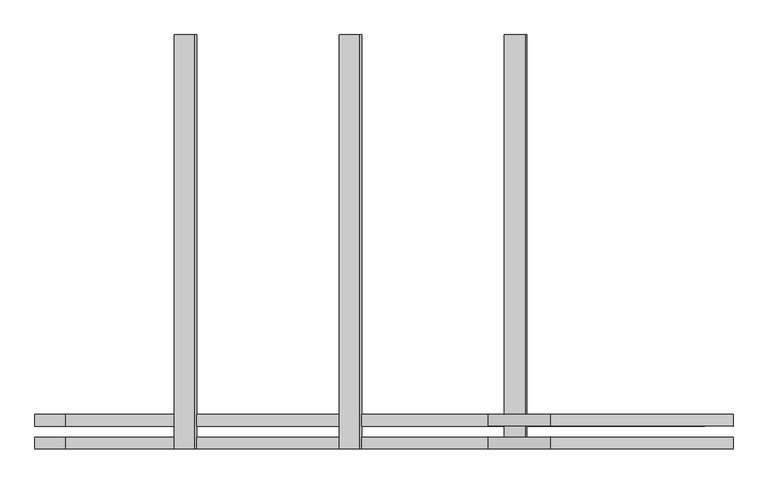
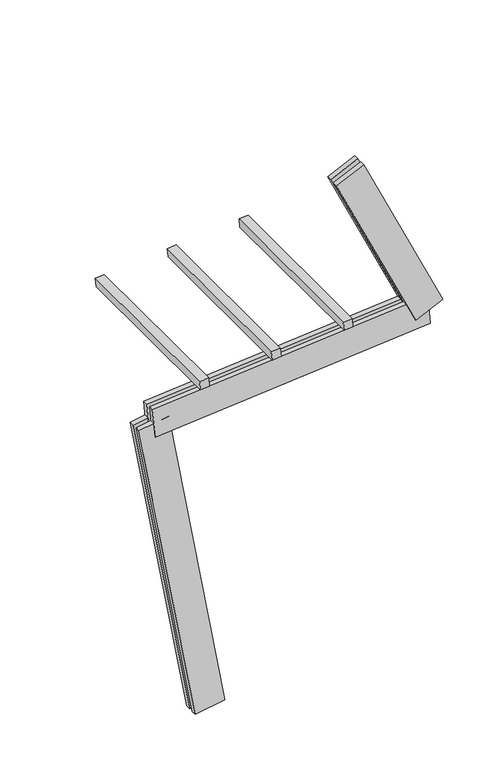
"""IFC4 building model written with IfcOpenShell, lengths in millimetres: proxy geometry."""

import ifcopenshell
import ifcopenshell.guid

model = None  # the IFC model being written
_history = None  # IfcOwnerHistory: only IFC2X3 demands one
_inside = {}  # id of a spatial element -> (the spatial element, [elements in it])
_under = {}  # id of a project, library or spatial element -> (it, [spatial elements below it])
_declared = {}  # id of a project -> (the project, [libraries it declares])
_typed = {}  # id of a type object -> (the type object, [elements of that type])
_made_of = {}  # id of a material, layer set ... -> (it, [elements and type objects made of it])


def new_model(schema):
    """Start an empty IFC model of exactly this schema.

    Asked for "IFC4X3", IfcOpenShell would pick the latest addendum, in which some entities
    have other attributes; the version numbers below select the first issue.
    IFC2X3 requires an IfcOwnerHistory on every rooted entity: one is made here for all.
    """
    global model, _history
    if schema == "IFC4X3":
        model = ifcopenshell.file(schema_version=(4, 3, 0, 0))
    else:
        model = ifcopenshell.file(schema=schema)
    _inside.clear()
    _under.clear()
    _declared.clear()
    _typed.clear()
    _made_of.clear()
    _history = None
    if model.schema == "IFC2X3":
        org = make("IfcOrganization", Name="unknown")
        user = make(
            "IfcPersonAndOrganization",
            ThePerson=make("IfcPerson", FamilyName="unknown"),
            TheOrganization=org,
        )
        app = make(
            "IfcApplication",
            ApplicationDeveloper=org,
            Version="unknown",
            ApplicationFullName="unknown",
            ApplicationIdentifier="unknown",
        )
        _history = make(
            "IfcOwnerHistory",
            OwningUser=user,
            OwningApplication=app,
            ChangeAction="ADDED",
            CreationDate=0,
        )
    return model


def make(cls, **values):
    """One entity of the class cls with the attributes given. An attribute that is None is left unset."""
    return model.create_entity(
        cls, **{name: value for name, value in values.items() if value is not None}
    )


def rooted(cls, **values):
    """An entity with a GlobalId (a new one), such as an element, a storey or a relation."""
    return make(cls, GlobalId=ifcopenshell.guid.new(), OwnerHistory=_history, **values)


def si_unit(unit_type, name, prefix=None):
    """IfcSIUnit, for example si_unit("LENGTHUNIT", "METRE", prefix="MILLI")."""
    return make("IfcSIUnit", UnitType=unit_type, Prefix=prefix, Name=name)


def assignment(units):
    """IfcUnitAssignment: the units of a project."""
    return None if units is None else make("IfcUnitAssignment", Units=units)


def point(xyz):
    """IfcCartesianPoint."""
    return None if xyz is None else make("IfcCartesianPoint", Coordinates=xyz)


def direction(xyz):
    """IfcDirection."""
    return None if xyz is None else make("IfcDirection", DirectionRatios=xyz)


def frame(location, z_axis=None, x_axis=None):
    """IfcAxis2Placement3D, a coordinate frame: its origin and axes. An axis left out is left unset."""
    return make(
        "IfcAxis2Placement3D",
        Location=point(location),
        Axis=direction(z_axis),
        RefDirection=direction(x_axis),
    )


def origin():
    """The frame at (0, 0, 0) with its axes left unset."""
    return frame((0.0, 0.0, 0.0))


def place(relative_to, where):
    """IfcLocalPlacement: puts the frame where relative to a parent placement (None: the world)."""
    return make(
        "IfcLocalPlacement", PlacementRelTo=relative_to, RelativePlacement=where
    )


def context(
    kind, dimensions, precision=None, world=None, true_north=None, identifier=None
):
    """IfcGeometricRepresentationContext, for example the 3D "Model" context."""
    return make(
        "IfcGeometricRepresentationContext",
        ContextIdentifier=identifier,
        ContextType=kind,
        CoordinateSpaceDimension=dimensions,
        Precision=precision,
        WorldCoordinateSystem=world,
        TrueNorth=true_north,
    )


def project(units=None, contexts=None):
    """IfcProject with its units and contexts."""
    return rooted(
        "IfcProject",
        Name="project",
        RepresentationContexts=contexts,
        UnitsInContext=assignment(units),
    )


def spatial(cls, under=None, at=None, **own):
    """A site, building, storey or space (cls), placed at a placement, below another one or the project."""
    s = rooted(cls, ObjectPlacement=at, **own)
    if under is not None:
        _under.setdefault(under.id(), (under, []))[1].append(s)
    return s


def polyline(points):
    """IfcPolyline through the points."""
    return make("IfcPolyline", Points=[point(p) for p in points])


def outline(outer, holes=None, kind="AREA"):
    """IfcArbitraryClosedProfileDef: a profile drawn as a closed curve; with holes, ...WithVoids."""
    if holes is None:
        return make("IfcArbitraryClosedProfileDef", ProfileType=kind, OuterCurve=outer)
    return make(
        "IfcArbitraryProfileDefWithVoids",
        ProfileType=kind,
        OuterCurve=outer,
        InnerCurves=holes,
    )


def extrude(swept, where, along, depth):
    """IfcExtrudedAreaSolid: the profile swept, set in the frame where, extruded along a direction by depth."""
    return make(
        "IfcExtrudedAreaSolid",
        SweptArea=swept,
        Position=where,
        ExtrudedDirection=direction(along),
        Depth=depth,
    )


def shape(context_of_items, identifier, shape_type, items):
    """IfcShapeRepresentation: the items that make up one representation, for example the "Body"."""
    return make(
        "IfcShapeRepresentation",
        ContextOfItems=context_of_items,
        RepresentationIdentifier=identifier,
        RepresentationType=shape_type,
        Items=items,
    )


def source(mapping_origin, context_of_items, identifier, shape_type, items):
    """IfcRepresentationMap: a shape defined once, which mapped items show again and again."""
    return make(
        "IfcRepresentationMap",
        MappingOrigin=mapping_origin,
        MappedRepresentation=shape(context_of_items, identifier, shape_type, items),
    )


def transform(
    local_origin,
    x_axis=None,
    y_axis=None,
    z_axis=None,
    scale=None,
    scale2=None,
    scale3=None,
    uniform=True,
):
    """IfcCartesianTransformationOperator3D, or its non-uniform kind. x_axis, y_axis, z_axis: its Axis1, 2, 3."""
    if uniform:
        return make(
            "IfcCartesianTransformationOperator3D",
            Axis1=direction(x_axis),
            Axis2=direction(y_axis),
            LocalOrigin=point(local_origin),
            Scale=scale,
            Axis3=direction(z_axis),
        )
    return make(
        "IfcCartesianTransformationOperator3DnonUniform",
        Axis1=direction(x_axis),
        Axis2=direction(y_axis),
        LocalOrigin=point(local_origin),
        Scale=scale,
        Axis3=direction(z_axis),
        Scale2=scale2,
        Scale3=scale3,
    )


def mapped(mapping_source, mapping_target):
    """IfcMappedItem: shows the shape of a source again, moved by a transform."""
    return make(
        "IfcMappedItem", MappingSource=mapping_source, MappingTarget=mapping_target
    )


def made_of(thing, what):
    """Note that an element or type object is made of a material, layer set ...; save() writes the relation."""
    if what is not None:
        _made_of.setdefault(what.id(), (what, []))[1].append(thing)
    return thing


def element(
    cls,
    number,
    at=None,
    inside=None,
    cuts=None,
    type_object=None,
    material=None,
    context=None,
    identifier="Body",
    shape_type=None,
    held_by="IfcProductDefinitionShape",
    body=None,
    shapes=None,
    **own,
):
    """One element of the class cls, such as IfcWall. Its Tag is "e" and its number.

    at: its placement. inside: the storey or other place that contains it. cuts: it is an
    opening in that element (IfcRelVoidsElement). A single representation is given by context,
    identifier, shape_type and body (its items); several are given by shapes. held_by: the class
    of the entity that holds the representations. save() writes the other relations.
    """
    e = rooted(cls, Tag="e%d" % number, ObjectPlacement=at, **own)
    if body is not None:
        shapes = [shape(context, identifier, shape_type, body)]
    if shapes is not None:
        e.Representation = make(held_by, Representations=shapes)
    if inside is not None:
        _inside.setdefault(inside.id(), (inside, []))[1].append(e)
    if cuts is not None:
        rooted(
            "IfcRelVoidsElement", RelatingBuildingElement=cuts, RelatedOpeningElement=e
        )
    if type_object is not None:
        _typed.setdefault(type_object.id(), (type_object, []))[1].append(e)
    return made_of(e, material)


def aggregate(whole, parts):
    """IfcRelAggregates: a whole, such as a stair, and the parts it consists of."""
    return rooted("IfcRelAggregates", RelatingObject=whole, RelatedObjects=parts)


def save(model, path):
    """Write the relations noted so far, then the file.

    IfcRelAggregates (storeys below a building ...), IfcRelContainedInSpatialStructure (elements
    in a storey), IfcRelDefinesByType, IfcRelAssociatesMaterial and IfcRelDeclares: one each for
    every whole, place, type object, material and project.
    """
    for whole, parts in _under.values():
        aggregate(whole, parts)
    for where, things in _inside.values():
        rooted(
            "IfcRelContainedInSpatialStructure",
            RelatedElements=things,
            RelatingStructure=where,
        )
    for kind, things in _typed.values():
        rooted("IfcRelDefinesByType", RelatedObjects=things, RelatingType=kind)
    for what, things in _made_of.values():
        rooted("IfcRelAssociatesMaterial", RelatedObjects=things, RelatingMaterial=what)
    for by, libraries in _declared.values():
        rooted("IfcRelDeclares", RelatingContext=by, RelatedDefinitions=libraries)
    model.write(path)


def generic_models_50e26d89(model_context):
    return source(origin(), model_context, "Body", "SweptSolid", [
        extrude(outline(polyline([(1500.0, 0.0), (0.0, 0.0), (0.0, 74.9999999), (1500.0, 74.9999999), (1500.0, 0.0)])), frame((-6.552066, -62.5, 2824.9042482), z_axis=(-0.08715574274765805, 0.0, 0.9961946980917455), x_axis=(0.0, 1.0, 0.0)), (0.0, 0.0, 1.0), 75.0),
        extrude(outline(polyline([(1500.0, 0.0), (0.0, 0.0), (0.0, 75.0), (1500.0, 75.0), (1500.0, 0.0)])), frame((591.1647529, -62.5, 2877.1976938), z_axis=(-0.08715574274765805, 0.0, 0.9961946980917455), x_axis=(0.0, 1.0, 0.0)), (0.0, 0.0, 1.0), 75.0),
        extrude(outline(polyline([(1500.0, 0.0), (0.0, 0.0), (0.0, 75.0), (1500.0, 75.0), (1500.0, 0.0)])), frame((1188.8815718, -62.5, 2929.4911395), z_axis=(-0.08715574274765805, 0.0, 0.9961946980917455), x_axis=(0.0, 1.0, 0.0)), (0.0, 0.0, 1.0), 75.0),
        extrude(outline(polyline([(125.0, 0.0), (82.5, 0.0), (82.5, 250.0000001), (125.0, 250.0000001), (125.0, 0.0)])), frame((1709.1092525, 62.5, 2806.6118587), z_axis=(-0.4226182617406976, 0.0, 0.9063077870366508), x_axis=(0.0, -1.0, 0.0)), (0.0, 0.0, 1.0), 1560.0),
        extrude(outline(polyline([(0.0, 250.0000001), (42.5, 250.0000001), (42.5, 0.0), (0.0, 0.0), (0.0, 250.0000001)])), frame((1709.1092525, 62.5, 2806.6118587), z_axis=(-0.4226182617406976, 0.0, 0.9063077870366508), x_axis=(0.0, -1.0, 0.0)), (0.0, 0.0, 1.0), 1560.0),
        extrude(outline(polyline([(2300.0000001, 125.0), (2300.0000001, 82.5), (0.0, 82.5), (0.0, 125.0), (2300.0000001, 125.0)])), frame((1833.2921938, 62.5, 2734.9148042), z_axis=(-0.08715574274765805, 0.0, 0.9961946980917455), x_axis=(-0.9961946980917455, 0.0, -0.08715574274765805)), (0.0, 0.0, 1.0), 250.0),
        extrude(outline(polyline([(0.0, 0.0), (0.0, 42.5), (2300.0000001, 42.5), (2300.0000001, 0.0), (0.0, 0.0)])), frame((1833.2921938, 62.5, 2734.9148042), z_axis=(-0.08715574274765805, 0.0, 0.9961946980917455), x_axis=(-0.9961946980917455, 0.0, -0.08715574274765805)), (0.0, 0.0, 1.0), 250.0),
        extrude(outline(polyline([(-125.0, 249.9999999), (-82.5, 249.9999999), (-82.5, 0.0), (-125.0, 0.0), (-125.0, 249.9999999)])), frame((123.1009691, 62.5, 21.7060222), z_axis=(-0.17364817766693158, 0.0, 0.9848077530122079), x_axis=(0.0, 1.0, 0.0)), (0.0, 0.0, 1.0), 2700.0),
        extrude(outline(polyline([(0.0, 0.0), (-42.5, 0.0), (-42.5, 249.9999999), (0.0, 249.9999999), (0.0, 0.0)])), frame((123.1009691, 62.5, 21.7060222), z_axis=(-0.17364817766693158, 0.0, 0.9848077530122079), x_axis=(0.0, 1.0, 0.0)), (0.0, 0.0, 1.0), 2700.0),
    ])


if __name__ == "__main__":
    model = new_model("IFC4")
    model_context = context("Model", 3, world=origin())
    ifc_project = project(units=[si_unit("LENGTHUNIT", "METRE", prefix="MILLI")], contexts=[model_context])
    site = spatial("IfcSite", under=ifc_project)
    building = spatial("IfcBuilding", under=site)
    placement = place(None, origin())
    generic_models_shape = generic_models_50e26d89(model_context)
    element("IfcBuildingElementProxy", 1, Name="Generic Models", at=placement, inside=building, context=model_context, shape_type="MappedRepresentation", body=[
        mapped(generic_models_shape, transform((0.0, 0.0, 0.0), x_axis=(1.0, 0.0, 0.0), y_axis=(0.0, 1.0, 0.0), z_axis=(0.0, 0.0, 1.0))),
    ])
    save(model, "model.ifc")
